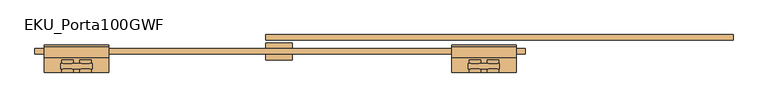
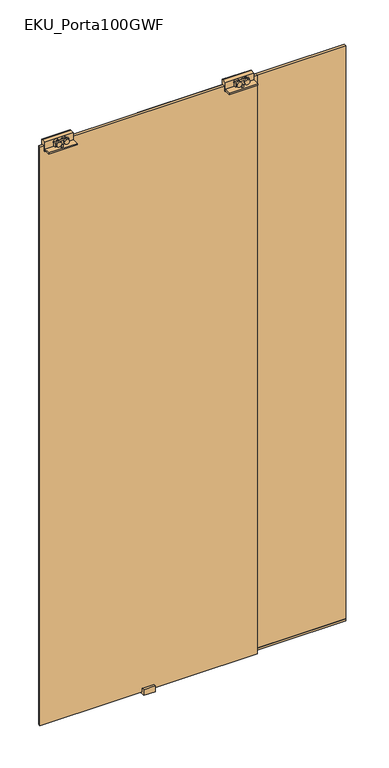
"""IFC4 building model written with IfcOpenShell, lengths in millimetres: door geometry, EKU_Porta100GWF."""

import ifcopenshell
import ifcopenshell.guid

model = None  # the IFC model being written
_history = None  # IfcOwnerHistory: only IFC2X3 demands one
_inside = {}  # id of a spatial element -> (the spatial element, [elements in it])
_under = {}  # id of a project, library or spatial element -> (it, [spatial elements below it])
_declared = {}  # id of a project -> (the project, [libraries it declares])
_typed = {}  # id of a type object -> (the type object, [elements of that type])
_made_of = {}  # id of a material, layer set ... -> (it, [elements and type objects made of it])


def new_model(schema):
    """Start an empty IFC model of exactly this schema.

    Asked for "IFC4X3", IfcOpenShell would pick the latest addendum, in which some entities
    have other attributes; the version numbers below select the first issue.
    IFC2X3 requires an IfcOwnerHistory on every rooted entity: one is made here for all.
    """
    global model, _history
    if schema == "IFC4X3":
        model = ifcopenshell.file(schema_version=(4, 3, 0, 0))
    else:
        model = ifcopenshell.file(schema=schema)
    _inside.clear()
    _under.clear()
    _declared.clear()
    _typed.clear()
    _made_of.clear()
    _history = None
    if model.schema == "IFC2X3":
        org = make("IfcOrganization", Name="unknown")
        user = make(
            "IfcPersonAndOrganization",
            ThePerson=make("IfcPerson", FamilyName="unknown"),
            TheOrganization=org,
        )
        app = make(
            "IfcApplication",
            ApplicationDeveloper=org,
            Version="unknown",
            ApplicationFullName="unknown",
            ApplicationIdentifier="unknown",
        )
        _history = make(
            "IfcOwnerHistory",
            OwningUser=user,
            OwningApplication=app,
            ChangeAction="ADDED",
            CreationDate=0,
        )
    return model


def make(cls, **values):
    """One entity of the class cls with the attributes given. An attribute that is None is left unset."""
    return model.create_entity(
        cls, **{name: value for name, value in values.items() if value is not None}
    )


def rooted(cls, **values):
    """An entity with a GlobalId (a new one), such as an element, a storey or a relation."""
    return make(cls, GlobalId=ifcopenshell.guid.new(), OwnerHistory=_history, **values)


def si_unit(unit_type, name, prefix=None):
    """IfcSIUnit, for example si_unit("LENGTHUNIT", "METRE", prefix="MILLI")."""
    return make("IfcSIUnit", UnitType=unit_type, Prefix=prefix, Name=name)


def assignment(units):
    """IfcUnitAssignment: the units of a project."""
    return None if units is None else make("IfcUnitAssignment", Units=units)


def point(xyz):
    """IfcCartesianPoint."""
    return None if xyz is None else make("IfcCartesianPoint", Coordinates=xyz)


def direction(xyz):
    """IfcDirection."""
    return None if xyz is None else make("IfcDirection", DirectionRatios=xyz)


def frame(location, z_axis=None, x_axis=None):
    """IfcAxis2Placement3D, a coordinate frame: its origin and axes. An axis left out is left unset."""
    return make(
        "IfcAxis2Placement3D",
        Location=point(location),
        Axis=direction(z_axis),
        RefDirection=direction(x_axis),
    )


def frame_2d(location, x_axis=None):
    """IfcAxis2Placement2D, a coordinate frame in the plane: its origin and x axis."""
    return make(
        "IfcAxis2Placement2D", Location=point(location), RefDirection=direction(x_axis)
    )


def origin():
    """The frame at (0, 0, 0) with its axes left unset."""
    return frame((0.0, 0.0, 0.0))


def place(relative_to, where):
    """IfcLocalPlacement: puts the frame where relative to a parent placement (None: the world)."""
    return make(
        "IfcLocalPlacement", PlacementRelTo=relative_to, RelativePlacement=where
    )


def context(
    kind, dimensions, precision=None, world=None, true_north=None, identifier=None
):
    """IfcGeometricRepresentationContext, for example the 3D "Model" context."""
    return make(
        "IfcGeometricRepresentationContext",
        ContextIdentifier=identifier,
        ContextType=kind,
        CoordinateSpaceDimension=dimensions,
        Precision=precision,
        WorldCoordinateSystem=world,
        TrueNorth=true_north,
    )


def project(units=None, contexts=None):
    """IfcProject with its units and contexts."""
    return rooted(
        "IfcProject",
        Name="project",
        RepresentationContexts=contexts,
        UnitsInContext=assignment(units),
    )


def spatial(cls, under=None, at=None, **own):
    """A site, building, storey or space (cls), placed at a placement, below another one or the project."""
    s = rooted(cls, ObjectPlacement=at, **own)
    if under is not None:
        _under.setdefault(under.id(), (under, []))[1].append(s)
    return s


def polyline(points):
    """IfcPolyline through the points."""
    return make("IfcPolyline", Points=[point(p) for p in points])


def circle_curve(where, radius):
    """IfcCircle in the frame where."""
    return make("IfcCircle", Position=where, Radius=radius)


def trimmed(basis, trim1, trim2, sense, master):
    """IfcTrimmedCurve: the piece of a basis curve between two trims."""
    return make(
        "IfcTrimmedCurve",
        BasisCurve=basis,
        Trim1=trim1,
        Trim2=trim2,
        SenseAgreement=sense,
        MasterRepresentation=master,
    )


def segment(curve, same_sense, transition):
    """IfcCompositeCurveSegment."""
    return make(
        "IfcCompositeCurveSegment",
        Transition=transition,
        SameSense=same_sense,
        ParentCurve=curve,
    )


def composite_curve(segments, self_intersect=None):
    """IfcCompositeCurve: segments joined end to end."""
    return make("IfcCompositeCurve", Segments=segments, SelfIntersect=self_intersect)


def outline(outer, holes=None, kind="AREA"):
    """IfcArbitraryClosedProfileDef: a profile drawn as a closed curve; with holes, ...WithVoids."""
    if holes is None:
        return make("IfcArbitraryClosedProfileDef", ProfileType=kind, OuterCurve=outer)
    return make(
        "IfcArbitraryProfileDefWithVoids",
        ProfileType=kind,
        OuterCurve=outer,
        InnerCurves=holes,
    )


def extrude(swept, where, along, depth):
    """IfcExtrudedAreaSolid: the profile swept, set in the frame where, extruded along a direction by depth."""
    return make(
        "IfcExtrudedAreaSolid",
        SweptArea=swept,
        Position=where,
        ExtrudedDirection=direction(along),
        Depth=depth,
    )


def shape(context_of_items, identifier, shape_type, items):
    """IfcShapeRepresentation: the items that make up one representation, for example the "Body"."""
    return make(
        "IfcShapeRepresentation",
        ContextOfItems=context_of_items,
        RepresentationIdentifier=identifier,
        RepresentationType=shape_type,
        Items=items,
    )


def source(mapping_origin, context_of_items, identifier, shape_type, items):
    """IfcRepresentationMap: a shape defined once, which mapped items show again and again."""
    return make(
        "IfcRepresentationMap",
        MappingOrigin=mapping_origin,
        MappedRepresentation=shape(context_of_items, identifier, shape_type, items),
    )


def transform(
    local_origin,
    x_axis=None,
    y_axis=None,
    z_axis=None,
    scale=None,
    scale2=None,
    scale3=None,
    uniform=True,
):
    """IfcCartesianTransformationOperator3D, or its non-uniform kind. x_axis, y_axis, z_axis: its Axis1, 2, 3."""
    if uniform:
        return make(
            "IfcCartesianTransformationOperator3D",
            Axis1=direction(x_axis),
            Axis2=direction(y_axis),
            LocalOrigin=point(local_origin),
            Scale=scale,
            Axis3=direction(z_axis),
        )
    return make(
        "IfcCartesianTransformationOperator3DnonUniform",
        Axis1=direction(x_axis),
        Axis2=direction(y_axis),
        LocalOrigin=point(local_origin),
        Scale=scale,
        Axis3=direction(z_axis),
        Scale2=scale2,
        Scale3=scale3,
    )


def mapped(mapping_source, mapping_target):
    """IfcMappedItem: shows the shape of a source again, moved by a transform."""
    return make(
        "IfcMappedItem", MappingSource=mapping_source, MappingTarget=mapping_target
    )


def made_of(thing, what):
    """Note that an element or type object is made of a material, layer set ...; save() writes the relation."""
    if what is not None:
        _made_of.setdefault(what.id(), (what, []))[1].append(thing)
    return thing


def element(
    cls,
    number,
    at=None,
    inside=None,
    cuts=None,
    type_object=None,
    material=None,
    context=None,
    identifier="Body",
    shape_type=None,
    held_by="IfcProductDefinitionShape",
    body=None,
    shapes=None,
    **own,
):
    """One element of the class cls, such as IfcWall. Its Tag is "e" and its number.

    at: its placement. inside: the storey or other place that contains it. cuts: it is an
    opening in that element (IfcRelVoidsElement). A single representation is given by context,
    identifier, shape_type and body (its items); several are given by shapes. held_by: the class
    of the entity that holds the representations. save() writes the other relations.
    """
    e = rooted(cls, Tag="e%d" % number, ObjectPlacement=at, **own)
    if body is not None:
        shapes = [shape(context, identifier, shape_type, body)]
    if shapes is not None:
        e.Representation = make(held_by, Representations=shapes)
    if inside is not None:
        _inside.setdefault(inside.id(), (inside, []))[1].append(e)
    if cuts is not None:
        rooted(
            "IfcRelVoidsElement", RelatingBuildingElement=cuts, RelatedOpeningElement=e
        )
    if type_object is not None:
        _typed.setdefault(type_object.id(), (type_object, []))[1].append(e)
    return made_of(e, material)


def aggregate(whole, parts):
    """IfcRelAggregates: a whole, such as a stair, and the parts it consists of."""
    return rooted("IfcRelAggregates", RelatingObject=whole, RelatedObjects=parts)


def save(model, path):
    """Write the relations noted so far, then the file.

    IfcRelAggregates (storeys below a building ...), IfcRelContainedInSpatialStructure (elements
    in a storey), IfcRelDefinesByType, IfcRelAssociatesMaterial and IfcRelDeclares: one each for
    every whole, place, type object, material and project.
    """
    for whole, parts in _under.values():
        aggregate(whole, parts)
    for where, things in _inside.values():
        rooted(
            "IfcRelContainedInSpatialStructure",
            RelatedElements=things,
            RelatingStructure=where,
        )
    for kind, things in _typed.values():
        rooted("IfcRelDefinesByType", RelatedObjects=things, RelatingType=kind)
    for what, things in _made_of.values():
        rooted("IfcRelAssociatesMaterial", RelatedObjects=things, RelatingMaterial=what)
    for by, libraries in _declared.values():
        rooted("IfcRelDeclares", RelatingContext=by, RelatedDefinitions=libraries)
    model.write(path)


def eku_porta100gwf_7ec6c8f3(model_context):
    return source(origin(), model_context, "Body", "SweptSolid", [
        extrude(outline(composite_curve([segment(trimmed(circle_curve(frame_2d((2683.9921875, -1104.6562807)), 11.0), [point((2683.9921875, -1093.6562807))], [point((2683.9921875, -1115.6562807))], False, "CARTESIAN"), True, "CONTINUOUS"), segment(trimmed(circle_curve(frame_2d((2683.9921875, -1104.6562807)), 11.0), [point((2683.9921875, -1115.6562807))], [point((2683.9921875, -1093.6562807))], False, "CARTESIAN"), True, "CONTINUOUS")], self_intersect=False)), frame((0.0, -47.8664, 0.0), z_axis=(0.0, 1.0, 0.0), x_axis=(0.0, 0.0, 1.0)), (0.0, 0.0, 1.0), 6.5829776),
        extrude(outline(composite_curve([segment(trimmed(circle_curve(frame_2d((2683.9993602, -1070.2812807)), 11.0), [point((2683.9993602, -1059.2812807))], [point((2683.9993602, -1081.2812807))], False, "CARTESIAN"), True, "CONTINUOUS"), segment(trimmed(circle_curve(frame_2d((2683.9993602, -1070.2812807)), 11.0), [point((2683.9993602, -1081.2812807))], [point((2683.9993602, -1059.2812807))], False, "CARTESIAN"), True, "CONTINUOUS")], self_intersect=False)), frame((0.0, -31.1869495, 0.0), z_axis=(0.0, 1.0, 0.0), x_axis=(0.0, 0.0, 1.0)), (0.0, 0.0, 1.0), 7.0269907),
        extrude(outline(composite_curve([segment(trimmed(circle_curve(frame_2d((2683.9921875, -1070.2812807)), 11.0), [point((2683.9921875, -1059.2812807))], [point((2683.9921875, -1081.2812807))], False, "CARTESIAN"), True, "CONTINUOUS"), segment(trimmed(circle_curve(frame_2d((2683.9921875, -1070.2812807)), 11.0), [point((2683.9921875, -1081.2812807))], [point((2683.9921875, -1059.2812807))], False, "CARTESIAN"), True, "CONTINUOUS")], self_intersect=False)), frame((0.0, -48.25, 0.0), z_axis=(0.0, 1.0, 0.0), x_axis=(0.0, 0.0, 1.0)), (0.0, 0.0, 1.0), 6.9665776),
        extrude(outline(polyline([(-1091.5, -31.1869495), (-1083.5, -31.1869495), (-1083.5, -41.2834224), (-1091.5, -41.2834224), (-1091.5, -31.1869495)])), frame((0.0, 0.0, 2661.0), z_axis=(0.0, 0.0, 1.0), x_axis=(1.0, 0.0, 0.0)), (0.0, 0.0, 1.0), 11.9515484),
        extrude(outline(polyline([(-1117.5, -41.2834224), (-1117.5, -31.1869495), (-1057.5, -31.1869495), (-1057.5, -41.2834224), (-1117.5, -41.2834224)])), frame((0.0, 0.0, 2672.9515484), z_axis=(0.0, 0.0, 1.0), x_axis=(1.0, 0.0, 0.0)), (0.0, 0.0, 1.0), 18.2705237),
        extrude(outline(composite_curve([segment(trimmed(circle_curve(frame_2d((2683.9921875, -1104.6562807)), 11.0), [point((2683.9921875, -1093.6562807))], [point((2683.9921875, -1115.6562807))], False, "CARTESIAN"), True, "CONTINUOUS"), segment(trimmed(circle_curve(frame_2d((2683.9921875, -1104.6562807)), 11.0), [point((2683.9921875, -1115.6562807))], [point((2683.9921875, -1093.6562807))], False, "CARTESIAN"), True, "CONTINUOUS")], self_intersect=False)), frame((0.0, -31.1869495, 0.0), z_axis=(0.0, 1.0, 0.0), x_axis=(0.0, 0.0, 1.0)), (0.0, 0.0, 1.0), 7.0269907),
        extrude(outline(composite_curve([segment(trimmed(circle_curve(frame_2d((2683.9921875, -1070.2812807)), 11.0), [point((2683.9921875, -1059.2812807))], [point((2683.9921875, -1081.2812807))], False, "CARTESIAN"), True, "CONTINUOUS"), segment(trimmed(circle_curve(frame_2d((2683.9921875, -1070.2812807)), 11.0), [point((2683.9921875, -1081.2812807))], [point((2683.9921875, -1059.2812807))], False, "CARTESIAN"), True, "CONTINUOUS")], self_intersect=False)), frame((0.0, -48.25, 0.0), z_axis=(0.0, 1.0, 0.0), x_axis=(0.0, 0.0, 1.0)), (0.0, 0.0, 1.0), 6.9665776),
        extrude(outline(polyline([(-19.25, 2692.0), (2.442747, 2692.0), (4.75, 2692.0), (4.75, 2678.0), (4.75, 2650.0), (-2.25, 2650.0), (-2.25, 2672.0), (-12.25, 2672.0), (-12.25, 2650.0), (-19.25, 2650.0), (-19.25, 2655.0), (-48.25, 2655.0), (-48.25, 2661.0), (-19.25, 2661.0), (-19.25, 2692.0)])), frame((-1149.5, 0.0, 0.0), z_axis=(1.0, 0.0, 0.0), x_axis=(0.0, 1.0, 0.0)), (0.0, 0.0, 1.0), 124.0),
        extrude(outline(composite_curve([segment(trimmed(circle_curve(frame_2d((2683.9921875, -1855.3437193)), 11.0), [point((2683.9921875, -1866.3437193))], [point((2683.9921875, -1844.3437193))], False, "CARTESIAN"), True, "CONTINUOUS"), segment(trimmed(circle_curve(frame_2d((2683.9921875, -1855.3437193)), 11.0), [point((2683.9921875, -1844.3437193))], [point((2683.9921875, -1866.3437193))], False, "CARTESIAN"), True, "CONTINUOUS")], self_intersect=False)), frame((0.0, -47.8664, 0.0), z_axis=(0.0, 1.0, 0.0), x_axis=(0.0, 0.0, 1.0)), (0.0, 0.0, 1.0), 6.5829776),
        extrude(outline(composite_curve([segment(trimmed(circle_curve(frame_2d((2683.9993602, -1889.7187193)), 11.0), [point((2683.9993602, -1900.7187193))], [point((2683.9993602, -1878.7187193))], False, "CARTESIAN"), True, "CONTINUOUS"), segment(trimmed(circle_curve(frame_2d((2683.9993602, -1889.7187193)), 11.0), [point((2683.9993602, -1878.7187193))], [point((2683.9993602, -1900.7187193))], False, "CARTESIAN"), True, "CONTINUOUS")], self_intersect=False)), frame((0.0, -31.1869495, 0.0), z_axis=(0.0, 1.0, 0.0), x_axis=(0.0, 0.0, 1.0)), (0.0, 0.0, 1.0), 7.0269907),
        extrude(outline(composite_curve([segment(trimmed(circle_curve(frame_2d((2683.9921875, -1889.7187193)), 11.0), [point((2683.9921875, -1900.7187193))], [point((2683.9921875, -1878.7187193))], False, "CARTESIAN"), True, "CONTINUOUS"), segment(trimmed(circle_curve(frame_2d((2683.9921875, -1889.7187193)), 11.0), [point((2683.9921875, -1878.7187193))], [point((2683.9921875, -1900.7187193))], False, "CARTESIAN"), True, "CONTINUOUS")], self_intersect=False)), frame((0.0, -48.25, 0.0), z_axis=(0.0, 1.0, 0.0), x_axis=(0.0, 0.0, 1.0)), (0.0, 0.0, 1.0), 6.9665776),
        extrude(outline(polyline([(-1868.5, -31.1869495), (-1868.5, -41.2834224), (-1876.5, -41.2834224), (-1876.5, -31.1869495), (-1868.5, -31.1869495)])), frame((0.0, 0.0, 2661.0), z_axis=(0.0, 0.0, 1.0), x_axis=(1.0, 0.0, 0.0)), (0.0, 0.0, 1.0), 11.9515484),
        extrude(outline(polyline([(-1842.5, -41.2834224), (-1902.5, -41.2834224), (-1902.5, -31.1869495), (-1842.5, -31.1869495), (-1842.5, -41.2834224)])), frame((0.0, 0.0, 2672.9515484), z_axis=(0.0, 0.0, 1.0), x_axis=(1.0, 0.0, 0.0)), (0.0, 0.0, 1.0), 18.2705237),
        extrude(outline(composite_curve([segment(trimmed(circle_curve(frame_2d((2683.9921875, -1855.3437193)), 11.0), [point((2683.9921875, -1866.3437193))], [point((2683.9921875, -1844.3437193))], False, "CARTESIAN"), True, "CONTINUOUS"), segment(trimmed(circle_curve(frame_2d((2683.9921875, -1855.3437193)), 11.0), [point((2683.9921875, -1844.3437193))], [point((2683.9921875, -1866.3437193))], False, "CARTESIAN"), True, "CONTINUOUS")], self_intersect=False)), frame((0.0, -31.1869495, 0.0), z_axis=(0.0, 1.0, 0.0), x_axis=(0.0, 0.0, 1.0)), (0.0, 0.0, 1.0), 7.0269907),
        extrude(outline(composite_curve([segment(trimmed(circle_curve(frame_2d((2683.9921875, -1889.7187193)), 11.0), [point((2683.9921875, -1900.7187193))], [point((2683.9921875, -1878.7187193))], False, "CARTESIAN"), True, "CONTINUOUS"), segment(trimmed(circle_curve(frame_2d((2683.9921875, -1889.7187193)), 11.0), [point((2683.9921875, -1878.7187193))], [point((2683.9921875, -1900.7187193))], False, "CARTESIAN"), True, "CONTINUOUS")], self_intersect=False)), frame((0.0, -48.25, 0.0), z_axis=(0.0, 1.0, 0.0), x_axis=(0.0, 0.0, 1.0)), (0.0, 0.0, 1.0), 6.9665776),
        extrude(outline(polyline([(-19.25, 2692.0), (2.442747, 2692.0), (4.75, 2692.0), (4.75, 2678.0), (4.75, 2650.0), (-2.25, 2650.0), (-2.25, 2672.0), (-12.25, 2672.0), (-12.25, 2650.0), (-19.25, 2650.0), (-19.25, 2655.0), (-48.25, 2655.0), (-48.25, 2661.0), (-19.25, 2661.0), (-19.25, 2692.0)])), frame((-1934.5, 0.0, 0.0), z_axis=(1.0, 0.0, 0.0), x_axis=(0.0, 1.0, 0.0)), (0.0, 0.0, 1.0), 124.0),
        extrude(outline(polyline([(-607.5, 24.84375), (-607.5, 14.84375), (-1507.5, 14.84375), (-1507.5, 24.84375), (-607.5, 24.84375)])), frame((0.0, 0.0, 15.0), z_axis=(0.0, 0.0, 1.0), x_axis=(1.0, 0.0, 0.0)), (0.0, 0.0, 1.0), 2637.0),
        extrude(outline(polyline([(-1952.5, -12.25), (-1952.5, -2.25), (-1007.5, -2.25), (-1007.5, -12.25), (-1952.5, -12.25)])), frame((0.0, 0.0, 10.0), z_axis=(0.0, 0.0, 1.0), x_axis=(1.0, 0.0, 0.0)), (0.0, 0.0, 1.0), 2662.0),
        extrude(outline(polyline([(9.25, 26.0), (9.25, 0.0), (-23.3162943, 0.0), (-23.3162943, 26.0), (-12.25, 26.0), (-12.25, 10.0), (-2.25, 10.0), (-2.25, 26.0), (9.25, 26.0)])), frame((-1507.5, 0.0, 0.0), z_axis=(1.0, 0.0, 0.0), x_axis=(0.0, 1.0, 0.0)), (0.0, 0.0, 1.0), 50.4100933),
        extrude(outline(polyline([(-607.5, 24.84375), (-607.5, 14.84375), (-1507.5, 14.84375), (-1507.5, 24.84375), (-607.5, 24.84375)])), frame((0.0, 0.0, 5.0), z_axis=(0.0, 0.0, 1.0), x_axis=(1.0, 0.0, 0.0)), (0.0, 0.0, 1.0), 10.0),
    ])


if __name__ == "__main__":
    model = new_model("IFC4")
    model_context = context("Model", 3, world=origin())
    ifc_project = project(units=[si_unit("LENGTHUNIT", "METRE", prefix="MILLI")], contexts=[model_context])
    site = spatial("IfcSite", under=ifc_project)
    building = spatial("IfcBuilding", under=site)
    placement = place(None, origin())
    eku_porta100gwf_shape = eku_porta100gwf_7ec6c8f3(model_context)
    element("IfcDoor", 1, ObjectType="EKU_Porta100GWF", at=placement, inside=building, context=model_context, shape_type="MappedRepresentation", body=[
        mapped(eku_porta100gwf_shape, transform((0.0, 0.0, 0.0), x_axis=(1.0, 0.0, 0.0), y_axis=(0.0, 1.0, 0.0), z_axis=(0.0, 0.0, 1.0))),
    ])
    save(model, "model.ifc")
